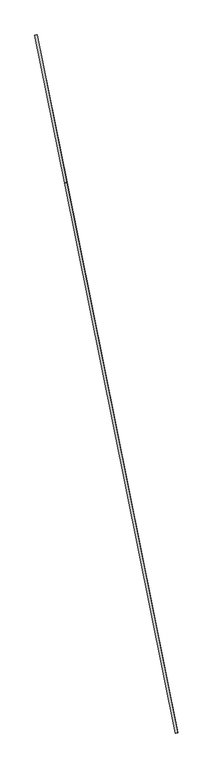
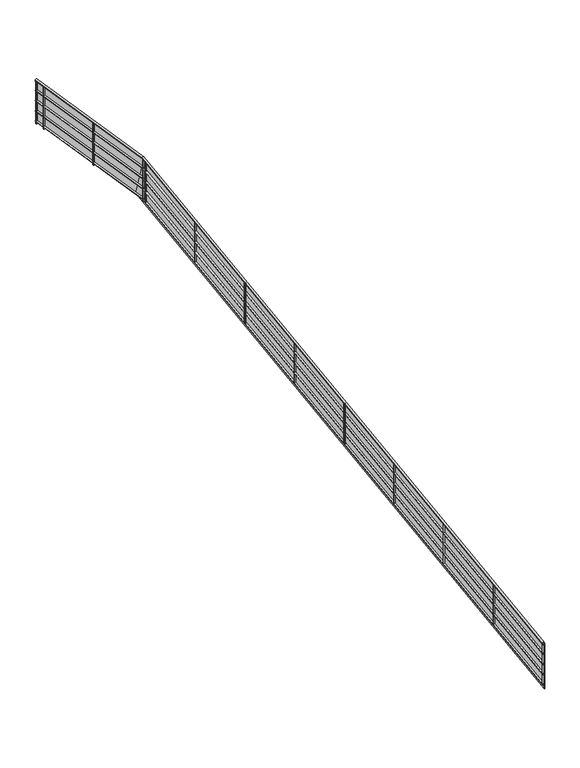
"""IFC4 building model written with IfcOpenShell, lengths in millimetres: railing geometry."""

from ifc_helpers import new_model, si_unit, frame, origin, place, context, project, spatial, circle_curve, ellipse_curve, faceted_brep, source, transform, mapped, element, save
from ifc_brep_helpers import plane_surface, cylinder_surface, advanced_brep


def railing_78939a84(model_context):
    return source(origin(), model_context, "Body", "SolidModel", [
        advanced_brep(
        [(-69144.017672, 33945.5084258, 3534.9225514), (-69104.8088387, 33953.4246995, 3534.9225514), (-71056.2513955, 43416.6884074, 7930.260985), (-71017.0425622, 43424.6046811, 7930.260985), (-71567.231167, 45947.540846, 8086.8597988), (-71528.0223336, 45955.4571197, 8086.8597988)],
        [
            (0, 1, ellipse_curve(frame((-69124.4132553, 33949.4665626, 3534.9225514), z_axis=(0.19790684338259257, -0.980220832946504, 0.0), x_axis=(0.0, 0.0, -1.0)), 21.9720769, 20.0)),
            (1, 0, ellipse_curve(frame((-69124.4132553, 33949.4665626, 3534.9225514), z_axis=(0.19790684338259257, -0.980220832946504, 0.0), x_axis=(0.0, 0.0, -1.0)), 21.9720769, 20.0)),
            (0, 2),
            (2, 3, ellipse_curve(frame((-71036.6469788, 43420.6465442, 7930.260985), z_axis=(0.19205676883367837, -0.9512457613970589, -0.2413414572121764), x_axis=(-0.04776312597421513, 0.236567924213043, -0.9704402614435901)), 20.340268, 20.0)),
            (3, 1),
            (3, 2, ellipse_curve(frame((-71036.6469788, 43420.6465442, 7930.260985), z_axis=(0.19205676883367837, -0.9512457613970589, -0.2413414572121764), x_axis=(-0.04776312597421513, 0.236567924213043, -0.9704402614435901)), 20.340268, 20.0)),
            (4, 5, ellipse_curve(frame((-71547.6267503, 45951.4989828, 8086.8597988), z_axis=(-0.19790684338259182, 0.9802208329465041, 0.0), x_axis=(0.0, 0.0, -0.9999999999999999)), 20.036753, 20.0)),
            (5, 4, ellipse_curve(frame((-71547.6267503, 45951.4989828, 8086.8597988), z_axis=(-0.19790684338259182, 0.9802208329465041, 0.0), x_axis=(0.0, 0.0, -0.9999999999999999)), 20.036753, 20.0)),
            (2, 4),
            (5, 3),
        ],
        [
            plane_surface(frame((-69124.4132553, 33949.4665626, 3556.8946283), z_axis=(0.19790684338259257, -0.980220832946504, 0.0), x_axis=(0.980220832946504, 0.19790684338259257, 0.0))),
            cylinder_surface(frame((-69126.0521908, 33957.5841126, 3538.6897039), z_axis=(0.18014395645113856, -0.8922423096883444, -0.41406740484628707), x_axis=(0.980220832946504, 0.19790684338259254, 0.0)), 20.0),
            plane_surface(frame((-71547.6267503, 45951.4989828, 8106.8965517), z_axis=(-0.19790684338259182, 0.9802208329465041, 0.0), x_axis=(0.9802208329465041, 0.19790684338259182, 0.0))),
            cylinder_surface(frame((-71035.9150929, 43417.0215565, 7930.0366855), z_axis=(0.19754382739217205, -0.9784228363213224, -0.060540809576604133), x_axis=(0.9802208329465042, 0.19790684338259193, 0.0)), 20.0),
        ],
        [
            (0, [[1, 2]]),
            (1, [[-1, 3, 4, 5]]),
            (1, [[-2, -5, 6, -3]]),
            (2, [[7, 8]]),
            (3, [[-4, 9, -8, 10]]),
            (3, [[-6, -10, -7, -9]]),
        ],
    ),
        advanced_brep(
        [(-69139.1165678, 33946.49796, 3340.4155707), (-69109.7099428, 33952.4351653, 3340.4155707), (-71051.1074126, 43416.4749778, 7735.1957387), (-71021.7007877, 43422.4121831, 7735.1957387), (-71562.3300628, 45948.5303802, 7891.868987), (-71532.9234378, 45954.4675855, 7891.868987)],
        [
            (0, 1, ellipse_curve(frame((-69124.4132553, 33949.4665626, 3340.4155707), z_axis=(0.19790684338259257, -0.980220832946504, 0.0), x_axis=(0.0, 0.0, -1.0)), 16.4790577, 15.0)),
            (1, 0, ellipse_curve(frame((-69124.4132553, 33949.4665626, 3340.4155707), z_axis=(0.19790684338259257, -0.980220832946504, 0.0), x_axis=(0.0, 0.0, -1.0)), 16.4790577, 15.0)),
            (0, 2),
            (2, 3, ellipse_curve(frame((-71036.4041001, 43419.4435805, 7735.1957387), z_axis=(0.19205676883367837, -0.9512457613970589, -0.2413414572121764), x_axis=(-0.04776312597421513, 0.236567924213043, -0.9704402614435901)), 15.255201, 15.0)),
            (3, 1),
            (3, 2, ellipse_curve(frame((-71036.4041001, 43419.4435805, 7735.1957387), z_axis=(0.19205676883367837, -0.9512457613970589, -0.2413414572121764), x_axis=(-0.04776312597421513, 0.236567924213043, -0.9704402614435901)), 15.255201, 15.0)),
            (4, 5, ellipse_curve(frame((-71547.6267503, 45951.4989828, 7891.868987), z_axis=(-0.19790684338259182, 0.9802208329465041, 0.0), x_axis=(0.0, 0.0, -0.9999999999999999)), 15.0275647, 15.0)),
            (5, 4, ellipse_curve(frame((-71547.6267503, 45951.4989828, 7891.868987), z_axis=(-0.19790684338259182, 0.9802208329465041, 0.0), x_axis=(0.0, 0.0, -0.9999999999999999)), 15.0275647, 15.0)),
            (2, 4),
            (5, 3),
        ],
        [
            plane_surface(frame((-69124.4132553, 33949.4665626, 3356.8946283), z_axis=(0.19790684338259257, -0.980220832946504, 0.0), x_axis=(0.980220832946504, 0.19790684338259257, 0.0))),
            cylinder_surface(frame((-69125.6424569, 33955.5547251, 3343.240935), z_axis=(0.18014395645113856, -0.8922423096883444, -0.41406740484628707), x_axis=(0.980220832946504, 0.19790684338259254, 0.0)), 15.0),
            plane_surface(frame((-71547.6267503, 45951.4989828, 7906.8965517), z_axis=(-0.19790684338259182, 0.9802208329465041, 0.0), x_axis=(0.9802208329465041, 0.19790684338259182, 0.0))),
            cylinder_surface(frame((-71035.8551857, 43416.7248397, 7735.0275142), z_axis=(0.19754382739217205, -0.9784228363213224, -0.060540809576604133), x_axis=(0.9802208329465042, 0.19790684338259193, 0.0)), 15.0),
        ],
        [
            (0, [[1, 2]]),
            (1, [[-1, 3, 4, 5]]),
            (1, [[-2, -5, 6, -3]]),
            (2, [[7, 8]]),
            (3, [[-4, 9, -8, 10]]),
            (3, [[-6, -10, -7, -9]]),
        ],
    ),
        advanced_brep(
        [(-69139.1165678, 33946.49796, 3140.4155707), (-69109.7099428, 33952.4351653, 3140.4155707), (-71051.1074126, 43416.4749778, 7535.1957387), (-71021.7007877, 43422.4121831, 7535.1957387), (-71562.3300628, 45948.5303802, 7691.868987), (-71532.9234378, 45954.4675855, 7691.868987)],
        [
            (0, 1, ellipse_curve(frame((-69124.4132553, 33949.4665626, 3140.4155707), z_axis=(0.19790684338259257, -0.980220832946504, 0.0), x_axis=(0.0, 0.0, -1.0)), 16.4790577, 15.0)),
            (1, 0, ellipse_curve(frame((-69124.4132553, 33949.4665626, 3140.4155707), z_axis=(0.19790684338259257, -0.980220832946504, 0.0), x_axis=(0.0, 0.0, -1.0)), 16.4790577, 15.0)),
            (0, 2),
            (2, 3, ellipse_curve(frame((-71036.4041001, 43419.4435805, 7535.1957387), z_axis=(0.19205676883367837, -0.9512457613970589, -0.2413414572121764), x_axis=(-0.04776312597421513, 0.236567924213043, -0.9704402614435901)), 15.255201, 15.0)),
            (3, 1),
            (3, 2, ellipse_curve(frame((-71036.4041001, 43419.4435805, 7535.1957387), z_axis=(0.19205676883367837, -0.9512457613970589, -0.2413414572121764), x_axis=(-0.04776312597421513, 0.236567924213043, -0.9704402614435901)), 15.255201, 15.0)),
            (4, 5, ellipse_curve(frame((-71547.6267503, 45951.4989828, 7691.868987), z_axis=(-0.19790684338259182, 0.9802208329465041, 0.0), x_axis=(0.0, 0.0, -0.9999999999999999)), 15.0275647, 15.0)),
            (5, 4, ellipse_curve(frame((-71547.6267503, 45951.4989828, 7691.868987), z_axis=(-0.19790684338259182, 0.9802208329465041, 0.0), x_axis=(0.0, 0.0, -0.9999999999999999)), 15.0275647, 15.0)),
            (2, 4),
            (5, 3),
        ],
        [
            plane_surface(frame((-69124.4132553, 33949.4665626, 3156.8946283), z_axis=(0.19790684338259257, -0.980220832946504, 0.0), x_axis=(0.980220832946504, 0.19790684338259257, 0.0))),
            cylinder_surface(frame((-69125.6424569, 33955.5547251, 3143.240935), z_axis=(0.18014395645113856, -0.8922423096883444, -0.41406740484628707), x_axis=(0.980220832946504, 0.19790684338259254, 0.0)), 15.0),
            plane_surface(frame((-71547.6267503, 45951.4989828, 7706.8965517), z_axis=(-0.19790684338259182, 0.9802208329465041, 0.0), x_axis=(0.9802208329465041, 0.19790684338259182, 0.0))),
            cylinder_surface(frame((-71035.8551857, 43416.7248397, 7535.0275142), z_axis=(0.19754382739217205, -0.9784228363213224, -0.060540809576604133), x_axis=(0.9802208329465042, 0.19790684338259193, 0.0)), 15.0),
        ],
        [
            (0, [[1, 2]]),
            (1, [[-1, 3, 4, 5]]),
            (1, [[-2, -5, 6, -3]]),
            (2, [[7, 8]]),
            (3, [[-4, 9, -8, 10]]),
            (3, [[-6, -10, -7, -9]]),
        ],
    ),
        advanced_brep(
        [(-69139.1165678, 33946.49796, 2940.4155707), (-69109.7099428, 33952.4351653, 2940.4155707), (-71051.1074126, 43416.4749778, 7335.1957387), (-71021.7007877, 43422.4121831, 7335.1957387), (-71562.3300628, 45948.5303802, 7491.868987), (-71532.9234378, 45954.4675855, 7491.868987)],
        [
            (0, 1, ellipse_curve(frame((-69124.4132553, 33949.4665626, 2940.4155707), z_axis=(0.19790684338259257, -0.980220832946504, 0.0), x_axis=(0.0, 0.0, -1.0)), 16.4790577, 15.0)),
            (1, 0, ellipse_curve(frame((-69124.4132553, 33949.4665626, 2940.4155707), z_axis=(0.19790684338259257, -0.980220832946504, 0.0), x_axis=(0.0, 0.0, -1.0)), 16.4790577, 15.0)),
            (0, 2),
            (2, 3, ellipse_curve(frame((-71036.4041001, 43419.4435805, 7335.1957387), z_axis=(0.19205676883367837, -0.9512457613970589, -0.2413414572121764), x_axis=(-0.04776312597421513, 0.236567924213043, -0.9704402614435901)), 15.255201, 15.0)),
            (3, 1),
            (3, 2, ellipse_curve(frame((-71036.4041001, 43419.4435805, 7335.1957387), z_axis=(0.19205676883367837, -0.9512457613970589, -0.2413414572121764), x_axis=(-0.04776312597421513, 0.236567924213043, -0.9704402614435901)), 15.255201, 15.0)),
            (4, 5, ellipse_curve(frame((-71547.6267503, 45951.4989828, 7491.868987), z_axis=(-0.19790684338259182, 0.9802208329465041, 0.0), x_axis=(0.0, 0.0, -0.9999999999999999)), 15.0275647, 15.0)),
            (5, 4, ellipse_curve(frame((-71547.6267503, 45951.4989828, 7491.868987), z_axis=(-0.19790684338259182, 0.9802208329465041, 0.0), x_axis=(0.0, 0.0, -0.9999999999999999)), 15.0275647, 15.0)),
            (2, 4),
            (5, 3),
        ],
        [
            plane_surface(frame((-69124.4132553, 33949.4665626, 2956.8946283), z_axis=(0.19790684338259257, -0.980220832946504, 0.0), x_axis=(0.980220832946504, 0.19790684338259257, 0.0))),
            cylinder_surface(frame((-69125.6424569, 33955.5547251, 2943.240935), z_axis=(0.18014395645113856, -0.8922423096883444, -0.41406740484628707), x_axis=(0.980220832946504, 0.19790684338259254, 0.0)), 15.0),
            plane_surface(frame((-71547.6267503, 45951.4989828, 7506.8965517), z_axis=(-0.19790684338259182, 0.9802208329465041, 0.0), x_axis=(0.9802208329465041, 0.19790684338259182, 0.0))),
            cylinder_surface(frame((-71035.8551857, 43416.7248397, 7335.0275142), z_axis=(0.19754382739217205, -0.9784228363213224, -0.060540809576604133), x_axis=(0.9802208329465042, 0.19790684338259193, 0.0)), 15.0),
        ],
        [
            (0, [[1, 2]]),
            (1, [[-1, 3, 4, 5]]),
            (1, [[-2, -5, 6, -3]]),
            (2, [[7, 8]]),
            (3, [[-4, 9, -8, 10]]),
            (3, [[-6, -10, -7, -9]]),
        ],
    ),
        advanced_brep(
        [(-69139.1165678, 33946.49796, 2740.4155707), (-69109.7099428, 33952.4351653, 2740.4155707), (-71051.1074126, 43416.4749778, 7135.1957387), (-71021.7007877, 43422.4121831, 7135.1957387), (-71562.3300628, 45948.5303802, 7291.868987), (-71532.9234378, 45954.4675855, 7291.868987)],
        [
            (0, 1, ellipse_curve(frame((-69124.4132553, 33949.4665626, 2740.4155707), z_axis=(0.19790684338259257, -0.980220832946504, 0.0), x_axis=(0.0, 0.0, -1.0)), 16.4790577, 15.0)),
            (1, 0, ellipse_curve(frame((-69124.4132553, 33949.4665626, 2740.4155707), z_axis=(0.19790684338259257, -0.980220832946504, 0.0), x_axis=(0.0, 0.0, -1.0)), 16.4790577, 15.0)),
            (0, 2),
            (2, 3, ellipse_curve(frame((-71036.4041001, 43419.4435805, 7135.1957387), z_axis=(0.19205676883367837, -0.9512457613970589, -0.2413414572121764), x_axis=(-0.04776312597421513, 0.236567924213043, -0.9704402614435901)), 15.255201, 15.0)),
            (3, 1),
            (3, 2, ellipse_curve(frame((-71036.4041001, 43419.4435805, 7135.1957387), z_axis=(0.19205676883367837, -0.9512457613970589, -0.2413414572121764), x_axis=(-0.04776312597421513, 0.236567924213043, -0.9704402614435901)), 15.255201, 15.0)),
            (4, 5, ellipse_curve(frame((-71547.6267503, 45951.4989828, 7291.868987), z_axis=(-0.19790684338259182, 0.9802208329465041, 0.0), x_axis=(0.0, 0.0, -0.9999999999999999)), 15.0275647, 15.0)),
            (5, 4, ellipse_curve(frame((-71547.6267503, 45951.4989828, 7291.868987), z_axis=(-0.19790684338259182, 0.9802208329465041, 0.0), x_axis=(0.0, 0.0, -0.9999999999999999)), 15.0275647, 15.0)),
            (2, 4),
            (5, 3),
        ],
        [
            plane_surface(frame((-69124.4132553, 33949.4665626, 2756.8946283), z_axis=(0.19790684338259257, -0.980220832946504, 0.0), x_axis=(0.980220832946504, 0.19790684338259257, 0.0))),
            cylinder_surface(frame((-69125.6424569, 33955.5547251, 2743.240935), z_axis=(0.18014395645113856, -0.8922423096883444, -0.41406740484628707), x_axis=(0.980220832946504, 0.19790684338259254, 0.0)), 15.0),
            plane_surface(frame((-71547.6267503, 45951.4989828, 7306.8965517), z_axis=(-0.19790684338259182, 0.9802208329465041, 0.0), x_axis=(0.9802208329465041, 0.19790684338259182, 0.0))),
            cylinder_surface(frame((-71035.8551857, 43416.7248397, 7135.0275142), z_axis=(0.19754382739217205, -0.9784228363213224, -0.060540809576604133), x_axis=(0.9802208329465042, 0.19790684338259193, 0.0)), 15.0),
        ],
        [
            (0, [[1, 2]]),
            (1, [[-1, 3, 4, 5]]),
            (1, [[-2, -5, 6, -3]]),
            (2, [[7, 8]]),
            (3, [[-4, 9, -8, 10]]),
            (3, [[-6, -10, -7, -9]]),
        ],
    ),
        faceted_brep([(-69101.8681762, 33954.01842, 3526.8946283), (-69107.7495012, 33952.830979, 3526.8946283), (-69107.7495012, 33952.830979, 2648.0115516), (-69101.8681762, 33954.01842, 2648.0115516), (-71013.1303849, 43420.3865467, 7920.0), (-71019.0117099, 43419.1991056, 7920.0), (-71057.8723013, 43611.673305, 7130.4393992), (-71051.9909763, 43612.860746, 7130.4393992), (-71525.0816711, 45956.0508402, 8076.8965517), (-71525.0816711, 45956.0508402, 7275.4264334), (-71530.9629961, 45954.8633992, 7275.4264334), (-71530.9629961, 45954.8633992, 8076.8965517)], [[[0, 1, 2, 3]], [[1, 0, 4, 5]], [[2, 1, 5, 6]], [[3, 2, 6, 7]], [[0, 3, 7, 4]], [[8, 9, 10, 11]], [[5, 4, 8, 11]], [[6, 5, 11, 10]], [[7, 6, 10, 9]], [[4, 7, 9, 8]]]),
        advanced_brep(
        [(-71498.3991278, 45770.8385239, 8055.4914435), (-71498.3991278, 45770.8385239, 7239.1278097), (-71522.9046486, 45765.8908528, 7239.1278097), (-71522.9046486, 45765.8908528, 8055.4914435)],
        [
            (0, 1),
            (1, 2, ellipse_curve(frame((-71510.6518882, 45768.3646883, 7239.1278097), z_axis=(0.011981440519131565, -0.0593433627904311, 0.9981657229016683), x_axis=(-0.1975438273921714, 0.9784228363213229, 0.06054080957659602)), 12.5229706, 12.5)),
            (2, 3),
            (3, 0, ellipse_curve(frame((-71510.6518882, 45768.3646883, 8055.4914435), z_axis=(-0.011981440519131973, 0.05934336279043312, -0.998165722901668), x_axis=(-0.19754382739217138, 0.9784228363213227, 0.0605408095766013)), 12.5229706, 12.5)),
            (0, 3, ellipse_curve(frame((-71510.6518882, 45768.3646883, 8055.4914435), z_axis=(-0.011981440519131973, 0.05934336279043312, -0.998165722901668), x_axis=(-0.19754382739217138, 0.9784228363213227, 0.0605408095766013)), 12.5229706, 12.5)),
            (2, 1, ellipse_curve(frame((-71510.6518882, 45768.3646883, 7239.1278097), z_axis=(0.011981440519131565, -0.0593433627904311, 0.9981657229016683), x_axis=(-0.1975438273921714, 0.9784228363213229, 0.06054080957659602)), 12.5229706, 12.5)),
        ],
        [
            cylinder_surface(frame((-71510.6518882, 45768.3646883, 7139.1278097), z_axis=(0.0, 0.0, 1.0), x_axis=(-0.9802208329465042, -0.1979068433825912, 0.0)), 12.5),
            plane_surface(frame((-71540.1050801, 45787.9225381, 8057.0077451), z_axis=(0.011981440519131973, -0.05934336279043312, 0.998165722901668), x_axis=(0.9802208329465042, 0.1979068433825912, 0.0))),
            plane_surface(frame((-71530.2097379, 45738.9114964, 7237.6115081), z_axis=(-0.011981440519131565, 0.0593433627904311, -0.9981657229016683), x_axis=(0.9802208329465042, 0.1979068433825912, 0.0))),
        ],
        [
            (0, [[1, 2, 3, 4]]),
            (0, [[-1, 5, -3, 6]]),
            (1, [[-4, -5]]),
            (2, [[-2, -6]]),
        ],
    ),
        advanced_brep(
        [(-71260.9109157, 44594.5735243, 7982.7089688), (-71260.9109157, 44594.5735243, 7166.345335), (-71285.4164365, 44589.6258533, 7166.345335), (-71285.4164365, 44589.6258533, 7982.7089688)],
        [
            (0, 1),
            (1, 2, ellipse_curve(frame((-71273.1636761, 44592.0996888, 7166.345335), z_axis=(0.011981440519131565, -0.0593433627904311, 0.9981657229016683), x_axis=(-0.1975438273921714, 0.9784228363213229, 0.06054080957659602)), 12.5229706, 12.5)),
            (2, 3),
            (3, 0, ellipse_curve(frame((-71273.1636761, 44592.0996888, 7982.7089688), z_axis=(-0.011981440519131973, 0.05934336279043312, -0.998165722901668), x_axis=(-0.19754382739217138, 0.9784228363213227, 0.0605408095766013)), 12.5229706, 12.5)),
            (0, 3, ellipse_curve(frame((-71273.1636761, 44592.0996888, 7982.7089688), z_axis=(-0.011981440519131973, 0.05934336279043312, -0.998165722901668), x_axis=(-0.19754382739217138, 0.9784228363213227, 0.0605408095766013)), 12.5229706, 12.5)),
            (2, 1, ellipse_curve(frame((-71273.1636761, 44592.0996888, 7166.345335), z_axis=(0.011981440519131565, -0.0593433627904311, 0.9981657229016683), x_axis=(-0.1975438273921714, 0.9784228363213229, 0.06054080957659602)), 12.5229706, 12.5)),
        ],
        [
            cylinder_surface(frame((-71273.1636761, 44592.0996888, 7066.345335), z_axis=(0.0, 0.0, 1.0), x_axis=(-0.9802208329465042, -0.1979068433825912, 0.0)), 12.5),
            plane_surface(frame((-71302.616868, 44611.6575385, 7984.2252704), z_axis=(0.011981440519131973, -0.05934336279043312, 0.998165722901668), x_axis=(0.9802208329465042, 0.1979068433825912, 0.0))),
            plane_surface(frame((-71292.7215259, 44562.6464969, 7164.8290334), z_axis=(-0.011981440519131565, 0.0593433627904311, -0.9981657229016683), x_axis=(0.9802208329465042, 0.1979068433825912, 0.0))),
        ],
        [
            (0, [[1, 2, 3, 4]]),
            (0, [[-1, 5, -3, 6]]),
            (1, [[-4, -5]]),
            (2, [[-2, -6]]),
        ],
    ),
        advanced_brep(
        [(-71012.0661914, 43362.0603945, 7879.9531612), (-71012.0661914, 43362.0603945, 7091.6510552), (-71036.5717122, 43357.1127234, 7091.6510552), (-71036.5717122, 43357.1127234, 7879.9531612)],
        [
            (0, 1),
            (1, 2, ellipse_curve(frame((-71024.3189518, 43359.5865589, 7091.6510552), z_axis=(0.08194594070745628, -0.4058733739770873, 0.910248134904997), x_axis=(-0.1801443350739398, 0.8922441849845781, 0.41406319916405787)), 13.7325192, 12.5)),
            (2, 3),
            (3, 0, ellipse_curve(frame((-71024.3189518, 43359.5865589, 7879.9531612), z_axis=(-0.08194594070745628, 0.4058733739770873, -0.910248134904997), x_axis=(-0.1801443350739398, 0.8922441849845781, 0.41406319916405787)), 13.7325192, 12.5)),
            (0, 3, ellipse_curve(frame((-71024.3189518, 43359.5865589, 7879.9531612), z_axis=(-0.08194594070745628, 0.4058733739770873, -0.910248134904997), x_axis=(-0.1801443350739398, 0.8922441849845781, 0.41406319916405787)), 13.7325192, 12.5)),
            (2, 1, ellipse_curve(frame((-71024.3189518, 43359.5865589, 7091.6510552), z_axis=(0.08194594070745628, -0.4058733739770873, 0.910248134904997), x_axis=(-0.1801443350739398, 0.8922441849845781, 0.41406319916405787)), 13.7325192, 12.5)),
        ],
        [
            cylinder_surface(frame((-71024.3189518, 43359.5865589, 6991.6510552), z_axis=(0.0, 0.0, 1.0), x_axis=(-0.9802208329465041, -0.19790684338259207, 0.0)), 12.5),
            plane_surface(frame((-71053.7721437, 43379.1444087, 7891.3254229), z_axis=(0.08194594070745628, -0.4058733739770873, 0.910248134904997), x_axis=(0.9802208329465041, 0.19790684338259207, 0.0))),
            plane_surface(frame((-71043.8768015, 43330.133367, 7080.2787935), z_axis=(-0.08194594070745628, 0.4058733739770873, -0.910248134904997), x_axis=(0.9802208329465041, 0.19790684338259207, 0.0))),
        ],
        [
            (0, [[1, 2, 3, 4]]),
            (0, [[-1, 5, -3, 6]]),
            (1, [[-4, -5]]),
            (2, [[-2, -6]]),
        ],
    ),
        advanced_brep(
        [(-70774.5779793, 42185.7953949, 7334.0779091), (-70774.5779793, 42185.7953949, 6545.7758031), (-70799.0835001, 42180.8477238, 6545.7758031), (-70799.0835001, 42180.8477238, 7334.0779091)],
        [
            (0, 1),
            (1, 2, ellipse_curve(frame((-70786.8307397, 42183.3215594, 6545.7758031), z_axis=(0.08194594070745628, -0.4058733739770873, 0.910248134904997), x_axis=(-0.1801443350739398, 0.8922441849845781, 0.41406319916405787)), 13.7325192, 12.5)),
            (2, 3),
            (3, 0, ellipse_curve(frame((-70786.8307397, 42183.3215594, 7334.0779091), z_axis=(-0.08194594070745628, 0.4058733739770873, -0.910248134904997), x_axis=(-0.1801443350739398, 0.8922441849845781, 0.41406319916405787)), 13.7325192, 12.5)),
            (0, 3, ellipse_curve(frame((-70786.8307397, 42183.3215594, 7334.0779091), z_axis=(-0.08194594070745628, 0.4058733739770873, -0.910248134904997), x_axis=(-0.1801443350739398, 0.8922441849845781, 0.41406319916405787)), 13.7325192, 12.5)),
            (2, 1, ellipse_curve(frame((-70786.8307397, 42183.3215594, 6545.7758031), z_axis=(0.08194594070745628, -0.4058733739770873, 0.910248134904997), x_axis=(-0.1801443350739398, 0.8922441849845781, 0.41406319916405787)), 13.7325192, 12.5)),
        ],
        [
            cylinder_surface(frame((-70786.8307397, 42183.3215594, 6445.7758031), z_axis=(0.0, 0.0, 1.0), x_axis=(-0.9802208329465041, -0.19790684338259207, 0.0)), 12.5),
            plane_surface(frame((-70816.2839316, 42202.8794091, 7345.4501708), z_axis=(0.08194594070745628, -0.4058733739770873, 0.910248134904997), x_axis=(0.9802208329465041, 0.19790684338259207, 0.0))),
            plane_surface(frame((-70806.3885895, 42153.8683675, 6534.4035414), z_axis=(-0.08194594070745628, 0.4058733739770873, -0.910248134904997), x_axis=(0.9802208329465041, 0.19790684338259207, 0.0))),
        ],
        [
            (0, [[1, 2, 3, 4]]),
            (0, [[-1, 5, -3, 6]]),
            (1, [[-4, -5]]),
            (2, [[-2, -6]]),
        ],
    ),
        advanced_brep(
        [(-70537.0897673, 41009.5303954, 6788.2026569), (-70537.0897673, 41009.5303954, 5999.9005509), (-70561.5952881, 41004.5827243, 5999.9005509), (-70561.5952881, 41004.5827243, 6788.2026569)],
        [
            (0, 1),
            (1, 2, ellipse_curve(frame((-70549.3425277, 41007.0565599, 5999.9005509), z_axis=(0.08194594070745628, -0.4058733739770873, 0.910248134904997), x_axis=(-0.1801443350739398, 0.8922441849845781, 0.41406319916405787)), 13.7325192, 12.5)),
            (2, 3),
            (3, 0, ellipse_curve(frame((-70549.3425277, 41007.0565599, 6788.2026569), z_axis=(-0.08194594070745628, 0.4058733739770873, -0.910248134904997), x_axis=(-0.1801443350739398, 0.8922441849845781, 0.41406319916405787)), 13.7325192, 12.5)),
            (0, 3, ellipse_curve(frame((-70549.3425277, 41007.0565599, 6788.2026569), z_axis=(-0.08194594070745628, 0.4058733739770873, -0.910248134904997), x_axis=(-0.1801443350739398, 0.8922441849845781, 0.41406319916405787)), 13.7325192, 12.5)),
            (2, 1, ellipse_curve(frame((-70549.3425277, 41007.0565599, 5999.9005509), z_axis=(0.08194594070745628, -0.4058733739770873, 0.910248134904997), x_axis=(-0.1801443350739398, 0.8922441849845781, 0.41406319916405787)), 13.7325192, 12.5)),
        ],
        [
            cylinder_surface(frame((-70549.3425277, 41007.0565599, 5899.9005509), z_axis=(0.0, 0.0, 1.0), x_axis=(-0.9802208329465041, -0.19790684338259207, 0.0)), 12.5),
            plane_surface(frame((-70578.7957196, 41026.6144096, 6799.5749186), z_axis=(0.08194594070745628, -0.4058733739770873, 0.910248134904997), x_axis=(0.9802208329465041, 0.19790684338259207, 0.0))),
            plane_surface(frame((-70568.9003774, 40977.6033679, 5988.5282893), z_axis=(-0.08194594070745628, 0.4058733739770873, -0.910248134904997), x_axis=(0.9802208329465041, 0.19790684338259207, 0.0))),
        ],
        [
            (0, [[1, 2, 3, 4]]),
            (0, [[-1, 5, -3, 6]]),
            (1, [[-4, -5]]),
            (2, [[-2, -6]]),
        ],
    ),
        advanced_brep(
        [(-70299.6015552, 39833.2653959, 6242.3274048), (-70299.6015552, 39833.2653959, 5454.0252988), (-70324.107076, 39828.3177248, 5454.0252988), (-70324.107076, 39828.3177248, 6242.3274048)],
        [
            (0, 1),
            (1, 2, ellipse_curve(frame((-70311.8543156, 39830.7915603, 5454.0252988), z_axis=(0.08194594070745628, -0.4058733739770873, 0.910248134904997), x_axis=(-0.1801443350739398, 0.8922441849845781, 0.41406319916405787)), 13.7325192, 12.5)),
            (2, 3),
            (3, 0, ellipse_curve(frame((-70311.8543156, 39830.7915603, 6242.3274048), z_axis=(-0.08194594070745628, 0.4058733739770873, -0.910248134904997), x_axis=(-0.1801443350739398, 0.8922441849845781, 0.41406319916405787)), 13.7325192, 12.5)),
            (0, 3, ellipse_curve(frame((-70311.8543156, 39830.7915603, 6242.3274048), z_axis=(-0.08194594070745628, 0.4058733739770873, -0.910248134904997), x_axis=(-0.1801443350739398, 0.8922441849845781, 0.41406319916405787)), 13.7325192, 12.5)),
            (2, 1, ellipse_curve(frame((-70311.8543156, 39830.7915603, 5454.0252988), z_axis=(0.08194594070745628, -0.4058733739770873, 0.910248134904997), x_axis=(-0.1801443350739398, 0.8922441849845781, 0.41406319916405787)), 13.7325192, 12.5)),
        ],
        [
            cylinder_surface(frame((-70311.8543156, 39830.7915603, 5354.0252988), z_axis=(0.0, 0.0, 1.0), x_axis=(-0.9802208329465041, -0.19790684338259207, 0.0)), 12.5),
            plane_surface(frame((-70341.3075075, 39850.3494101, 6253.6996665), z_axis=(0.08194594070745628, -0.4058733739770873, 0.910248134904997), x_axis=(0.9802208329465041, 0.19790684338259207, 0.0))),
            plane_surface(frame((-70331.4121653, 39801.3383684, 5442.6530371), z_axis=(-0.08194594070745628, 0.4058733739770873, -0.910248134904997), x_axis=(0.9802208329465041, 0.19790684338259207, 0.0))),
        ],
        [
            (0, [[1, 2, 3, 4]]),
            (0, [[-1, 5, -3, 6]]),
            (1, [[-4, -5]]),
            (2, [[-2, -6]]),
        ],
    ),
        advanced_brep(
        [(-70062.1133431, 38657.0003963, 5696.4521527), (-70062.1133431, 38657.0003963, 4908.1500467), (-70086.618864, 38652.0527252, 4908.1500467), (-70086.618864, 38652.0527252, 5696.4521527)],
        [
            (0, 1),
            (1, 2, ellipse_curve(frame((-70074.3661035, 38654.5265608, 4908.1500467), z_axis=(0.08194594070745628, -0.4058733739770873, 0.910248134904997), x_axis=(-0.1801443350739398, 0.8922441849845781, 0.41406319916405787)), 13.7325192, 12.5)),
            (2, 3),
            (3, 0, ellipse_curve(frame((-70074.3661035, 38654.5265608, 5696.4521527), z_axis=(-0.08194594070745628, 0.4058733739770873, -0.910248134904997), x_axis=(-0.1801443350739398, 0.8922441849845781, 0.41406319916405787)), 13.7325192, 12.5)),
            (0, 3, ellipse_curve(frame((-70074.3661035, 38654.5265608, 5696.4521527), z_axis=(-0.08194594070745628, 0.4058733739770873, -0.910248134904997), x_axis=(-0.1801443350739398, 0.8922441849845781, 0.41406319916405787)), 13.7325192, 12.5)),
            (2, 1, ellipse_curve(frame((-70074.3661035, 38654.5265608, 4908.1500467), z_axis=(0.08194594070745628, -0.4058733739770873, 0.910248134904997), x_axis=(-0.1801443350739398, 0.8922441849845781, 0.41406319916405787)), 13.7325192, 12.5)),
        ],
        [
            cylinder_surface(frame((-70074.3661035, 38654.5265608, 4808.1500467), z_axis=(0.0, 0.0, 1.0), x_axis=(-0.9802208329465041, -0.19790684338259207, 0.0)), 12.5),
            plane_surface(frame((-70103.8192955, 38674.0844105, 5707.8244143), z_axis=(0.08194594070745628, -0.4058733739770873, 0.910248134904997), x_axis=(0.9802208329465041, 0.19790684338259207, 0.0))),
            plane_surface(frame((-70093.9239533, 38625.0733689, 4896.777785), z_axis=(-0.08194594070745628, 0.4058733739770873, -0.910248134904997), x_axis=(0.9802208329465041, 0.19790684338259207, 0.0))),
        ],
        [
            (0, [[1, 2, 3, 4]]),
            (0, [[-1, 5, -3, 6]]),
            (1, [[-4, -5]]),
            (2, [[-2, -6]]),
        ],
    ),
        advanced_brep(
        [(-69824.6251311, 37480.7353968, 5150.5769005), (-69824.6251311, 37480.7353968, 4362.2747945), (-69849.1306519, 37475.7877257, 4362.2747945), (-69849.1306519, 37475.7877257, 5150.5769005)],
        [
            (0, 1),
            (1, 2, ellipse_curve(frame((-69836.8778915, 37478.2615612, 4362.2747945), z_axis=(0.08194594070745628, -0.4058733739770873, 0.910248134904997), x_axis=(-0.1801443350739398, 0.8922441849845781, 0.41406319916405787)), 13.7325192, 12.5)),
            (2, 3),
            (3, 0, ellipse_curve(frame((-69836.8778915, 37478.2615612, 5150.5769005), z_axis=(-0.08194594070745628, 0.4058733739770873, -0.910248134904997), x_axis=(-0.1801443350739398, 0.8922441849845781, 0.41406319916405787)), 13.7325192, 12.5)),
            (0, 3, ellipse_curve(frame((-69836.8778915, 37478.2615612, 5150.5769005), z_axis=(-0.08194594070745628, 0.4058733739770873, -0.910248134904997), x_axis=(-0.1801443350739398, 0.8922441849845781, 0.41406319916405787)), 13.7325192, 12.5)),
            (2, 1, ellipse_curve(frame((-69836.8778915, 37478.2615612, 4362.2747945), z_axis=(0.08194594070745628, -0.4058733739770873, 0.910248134904997), x_axis=(-0.1801443350739398, 0.8922441849845781, 0.41406319916405787)), 13.7325192, 12.5)),
        ],
        [
            cylinder_surface(frame((-69836.8778915, 37478.2615612, 4262.2747945), z_axis=(0.0, 0.0, 1.0), x_axis=(-0.9802208329465041, -0.19790684338259207, 0.0)), 12.5),
            plane_surface(frame((-69866.3310834, 37497.819411, 5161.9491622), z_axis=(0.08194594070745628, -0.4058733739770873, 0.910248134904997), x_axis=(0.9802208329465041, 0.19790684338259207, 0.0))),
            plane_surface(frame((-69856.4357412, 37448.8083693, 4350.9025328), z_axis=(-0.08194594070745628, 0.4058733739770873, -0.910248134904997), x_axis=(0.9802208329465041, 0.19790684338259207, 0.0))),
        ],
        [
            (0, [[1, 2, 3, 4]]),
            (0, [[-1, 5, -3, 6]]),
            (1, [[-4, -5]]),
            (2, [[-2, -6]]),
        ],
    ),
        advanced_brep(
        [(-69587.136919, 36304.4703973, 4604.7016484), (-69587.136919, 36304.4703973, 3816.3995424), (-69611.6424398, 36299.5227262, 3816.3995424), (-69611.6424398, 36299.5227262, 4604.7016484)],
        [
            (0, 1),
            (1, 2, ellipse_curve(frame((-69599.3896794, 36301.9965617, 3816.3995424), z_axis=(0.08194594070745628, -0.4058733739770873, 0.910248134904997), x_axis=(-0.1801443350739398, 0.8922441849845781, 0.41406319916405787)), 13.7325192, 12.5)),
            (2, 3),
            (3, 0, ellipse_curve(frame((-69599.3896794, 36301.9965617, 4604.7016484), z_axis=(-0.08194594070745628, 0.4058733739770873, -0.910248134904997), x_axis=(-0.1801443350739398, 0.8922441849845781, 0.41406319916405787)), 13.7325192, 12.5)),
            (0, 3, ellipse_curve(frame((-69599.3896794, 36301.9965617, 4604.7016484), z_axis=(-0.08194594070745628, 0.4058733739770873, -0.910248134904997), x_axis=(-0.1801443350739398, 0.8922441849845781, 0.41406319916405787)), 13.7325192, 12.5)),
            (2, 1, ellipse_curve(frame((-69599.3896794, 36301.9965617, 3816.3995424), z_axis=(0.08194594070745628, -0.4058733739770873, 0.910248134904997), x_axis=(-0.1801443350739398, 0.8922441849845781, 0.41406319916405787)), 13.7325192, 12.5)),
        ],
        [
            cylinder_surface(frame((-69599.3896794, 36301.9965617, 3716.3995424), z_axis=(0.0, 0.0, 1.0), x_axis=(-0.9802208329465041, -0.19790684338259207, 0.0)), 12.5),
            plane_surface(frame((-69628.8428713, 36321.5544114, 4616.0739101), z_axis=(0.08194594070745628, -0.4058733739770873, 0.910248134904997), x_axis=(0.9802208329465041, 0.19790684338259207, 0.0))),
            plane_surface(frame((-69618.9475292, 36272.5433698, 3805.0272807), z_axis=(-0.08194594070745628, 0.4058733739770873, -0.910248134904997), x_axis=(0.9802208329465041, 0.19790684338259207, 0.0))),
        ],
        [
            (0, [[1, 2, 3, 4]]),
            (0, [[-1, 5, -3, 6]]),
            (1, [[-4, -5]]),
            (2, [[-2, -6]]),
        ],
    ),
        advanced_brep(
        [(-69349.648707, 35128.2053977, 4058.8263963), (-69349.648707, 35128.2053977, 3270.5242902), (-69374.1542278, 35123.2577266, 3270.5242902), (-69374.1542278, 35123.2577266, 4058.8263963)],
        [
            (0, 1),
            (1, 2, ellipse_curve(frame((-69361.9014674, 35125.7315622, 3270.5242902), z_axis=(0.08194594070745628, -0.4058733739770873, 0.910248134904997), x_axis=(-0.1801443350739398, 0.8922441849845781, 0.41406319916405787)), 13.7325192, 12.5)),
            (2, 3),
            (3, 0, ellipse_curve(frame((-69361.9014674, 35125.7315622, 4058.8263963), z_axis=(-0.08194594070745628, 0.4058733739770873, -0.910248134904997), x_axis=(-0.1801443350739398, 0.8922441849845781, 0.41406319916405787)), 13.7325192, 12.5)),
            (0, 3, ellipse_curve(frame((-69361.9014674, 35125.7315622, 4058.8263963), z_axis=(-0.08194594070745628, 0.4058733739770873, -0.910248134904997), x_axis=(-0.1801443350739398, 0.8922441849845781, 0.41406319916405787)), 13.7325192, 12.5)),
            (2, 1, ellipse_curve(frame((-69361.9014674, 35125.7315622, 3270.5242902), z_axis=(0.08194594070745628, -0.4058733739770873, 0.910248134904997), x_axis=(-0.1801443350739398, 0.8922441849845781, 0.41406319916405787)), 13.7325192, 12.5)),
        ],
        [
            cylinder_surface(frame((-69361.9014674, 35125.7315622, 3170.5242902), z_axis=(0.0, 0.0, 1.0), x_axis=(-0.9802208329465041, -0.19790684338259207, 0.0)), 12.5),
            plane_surface(frame((-69391.3546593, 35145.2894119, 4070.1986579), z_axis=(0.08194594070745628, -0.4058733739770873, 0.910248134904997), x_axis=(0.9802208329465041, 0.19790684338259207, 0.0))),
            plane_surface(frame((-69381.4593171, 35096.2783703, 3259.1520286), z_axis=(-0.08194594070745628, 0.4058733739770873, -0.910248134904997), x_axis=(0.9802208329465041, 0.19790684338259207, 0.0))),
        ],
        [
            (0, [[1, 2, 3, 4]]),
            (0, [[-1, 5, -3, 6]]),
            (1, [[-4, -5]]),
            (2, [[-2, -6]]),
        ],
    ),
        advanced_brep(
        [(-71023.4227036, 43418.3085248, 7906.0558462), (-71023.4227036, 43418.3085248, 7093.5628602), (-71047.9282245, 43413.3608537, 7093.5628602), (-71047.9282245, 43413.3608537, 7906.0558462)],
        [
            (0, 1),
            (1, 2, circle_curve(frame((-71035.6754641, 43415.8346893, 7093.5628602), z_axis=(0.0, 0.0, 1.0), x_axis=(-0.9802208329465041, -0.19790684338259207, 0.0)), 12.5)),
            (2, 3),
            (3, 0, ellipse_curve(frame((-71035.6754641, 43415.8346893, 7906.0558462), z_axis=(-0.0819467730407506, 0.40587749647442545, -0.9102462217685172), x_axis=(-0.1801439564511381, 0.8922423096883442, 0.41406740484628723)), 13.7325481, 12.5)),
            (0, 3, ellipse_curve(frame((-71035.6754641, 43415.8346893, 7906.0558462), z_axis=(-0.0819467730407506, 0.40587749647442545, -0.9102462217685172), x_axis=(-0.1801439564511381, 0.8922423096883442, 0.41406740484628723)), 13.7325481, 12.5)),
            (2, 1, circle_curve(frame((-71035.6754641, 43415.8346893, 7093.5628602), z_axis=(0.0, 0.0, 1.0), x_axis=(-0.9802208329465041, -0.19790684338259207, 0.0)), 12.5)),
        ],
        [
            cylinder_surface(frame((-71035.6754641, 43415.8346893, 6993.5628602), z_axis=(0.0, 0.0, 1.0), x_axis=(-0.9802208329465041, -0.19790684338259207, 0.0)), 12.5),
            plane_surface(frame((-71065.128656, 43435.392539, 7917.4282472), z_axis=(0.0819467730407506, -0.40587749647442545, 0.9102462217685172), x_axis=(0.9802208329465041, 0.19790684338259207, 0.0))),
            plane_surface(frame((-71055.2333138, 43386.3814974, 7093.5628602), z_axis=(0.0, 0.0, -1.0), x_axis=(0.9802208329465041, 0.19790684338259207, 0.0))),
        ],
        [
            (0, [[1, 2, 3, 4]]),
            (0, [[-1, 5, -3, 6]]),
            (1, [[-4, -5]]),
            (2, [[-2, -6]]),
        ],
    ),
        advanced_brep(
        [(-71532.9001543, 45941.720058, 8066.064895), (-71532.9001543, 45941.720058, 7249.7012612), (-71557.4056752, 45936.7723869, 7249.7012612), (-71557.4056752, 45936.7723869, 8066.064895)],
        [
            (0, 1),
            (1, 2, ellipse_curve(frame((-71545.1529147, 45939.2462224, 7249.7012612), z_axis=(0.011981440519131565, -0.0593433627904311, 0.9981657229016683), x_axis=(-0.1975438273921714, 0.9784228363213229, 0.06054080957659602)), 12.5229706, 12.5)),
            (2, 3),
            (3, 0, ellipse_curve(frame((-71545.1529147, 45939.2462224, 8066.064895), z_axis=(-0.011981440519131973, 0.05934336279043312, -0.998165722901668), x_axis=(-0.19754382739217138, 0.9784228363213227, 0.0605408095766013)), 12.5229706, 12.5)),
            (0, 3, ellipse_curve(frame((-71545.1529147, 45939.2462224, 8066.064895), z_axis=(-0.011981440519131973, 0.05934336279043312, -0.998165722901668), x_axis=(-0.19754382739217138, 0.9784228363213227, 0.0605408095766013)), 12.5229706, 12.5)),
            (2, 1, ellipse_curve(frame((-71545.1529147, 45939.2462224, 7249.7012612), z_axis=(0.011981440519131565, -0.0593433627904311, 0.9981657229016683), x_axis=(-0.1975438273921714, 0.9784228363213229, 0.06054080957659602)), 12.5229706, 12.5)),
        ],
        [
            cylinder_surface(frame((-71545.1529147, 45939.2462224, 7149.7012612), z_axis=(0.0, 0.0, 1.0), x_axis=(-0.9802208329465042, -0.1979068433825912, 0.0)), 12.5),
            plane_surface(frame((-71574.6061067, 45958.8040722, 8067.5811966), z_axis=(0.011981440519131973, -0.05934336279043312, 0.998165722901668), x_axis=(0.9802208329465042, 0.1979068433825912, 0.0))),
            plane_surface(frame((-71564.7107645, 45909.7930305, 7248.1849596), z_axis=(-0.011981440519131565, 0.0593433627904311, -0.9981657229016683), x_axis=(0.9802208329465042, 0.1979068433825912, 0.0))),
        ],
        [
            (0, [[1, 2, 3, 4]]),
            (0, [[-1, 5, -3, 6]]),
            (1, [[-4, -5]]),
            (2, [[-2, -6]]),
        ],
    ),
        advanced_brep(
        [(-69114.6343304, 33964.1931586, 3518.6373447), (-69114.6343304, 33964.1931586, 2730.3352387), (-69139.1398513, 33959.2454875, 2730.3352387), (-69139.1398513, 33959.2454875, 3518.6373447)],
        [
            (0, 1),
            (1, 2, ellipse_curve(frame((-69126.8870909, 33961.719323, 2730.3352387), z_axis=(0.08194594070745628, -0.4058733739770873, 0.910248134904997), x_axis=(-0.1801443350739398, 0.8922441849845781, 0.41406319916405787)), 13.7325192, 12.5)),
            (2, 3),
            (3, 0, ellipse_curve(frame((-69126.8870909, 33961.719323, 3518.6373447), z_axis=(-0.08194594070745628, 0.4058733739770873, -0.910248134904997), x_axis=(-0.1801443350739398, 0.8922441849845781, 0.41406319916405787)), 13.7325192, 12.5)),
            (0, 3, ellipse_curve(frame((-69126.8870909, 33961.719323, 3518.6373447), z_axis=(-0.08194594070745628, 0.4058733739770873, -0.910248134904997), x_axis=(-0.1801443350739398, 0.8922441849845781, 0.41406319916405787)), 13.7325192, 12.5)),
            (2, 1, ellipse_curve(frame((-69126.8870909, 33961.719323, 2730.3352387), z_axis=(0.08194594070745628, -0.4058733739770873, 0.910248134904997), x_axis=(-0.1801443350739398, 0.8922441849845781, 0.41406319916405787)), 13.7325192, 12.5)),
        ],
        [
            cylinder_surface(frame((-69126.8870909, 33961.719323, 2630.3352387), z_axis=(0.0, 0.0, 1.0), x_axis=(-0.9802208329465041, -0.19790684338259207, 0.0)), 12.5),
            plane_surface(frame((-69156.3402828, 33981.2771728, 3530.0096063), z_axis=(0.08194594070745628, -0.4058733739770873, 0.910248134904997), x_axis=(0.9802208329465041, 0.19790684338259207, 0.0))),
            plane_surface(frame((-69146.4449406, 33932.2661311, 2718.962977), z_axis=(-0.08194594070745628, 0.4058733739770873, -0.910248134904997), x_axis=(0.9802208329465041, 0.19790684338259207, 0.0))),
        ],
        [
            (0, [[1, 2, 3, 4]]),
            (0, [[-1, 5, -3, 6]]),
            (1, [[-4, -5]]),
            (2, [[-2, -6]]),
        ],
    ),
    ])


if __name__ == "__main__":
    model = new_model("IFC4")
    model_context = context("Model", 3, world=origin())
    ifc_project = project(units=[si_unit("LENGTHUNIT", "METRE", prefix="MILLI")], contexts=[model_context])
    site = spatial("IfcSite", under=ifc_project)
    building = spatial("IfcBuilding", under=site)
    placement = place(None, origin())
    railing_shape = railing_78939a84(model_context)
    element("IfcRailing", 1, at=placement, inside=building, context=model_context, shape_type="MappedRepresentation", body=[
        mapped(railing_shape, transform((0.0, 0.0, 0.0), x_axis=(1.0, 0.0, 0.0), y_axis=(0.0, 1.0, 0.0), z_axis=(0.0, 0.0, 1.0))),
    ])
    save(model, "model.ifc")
